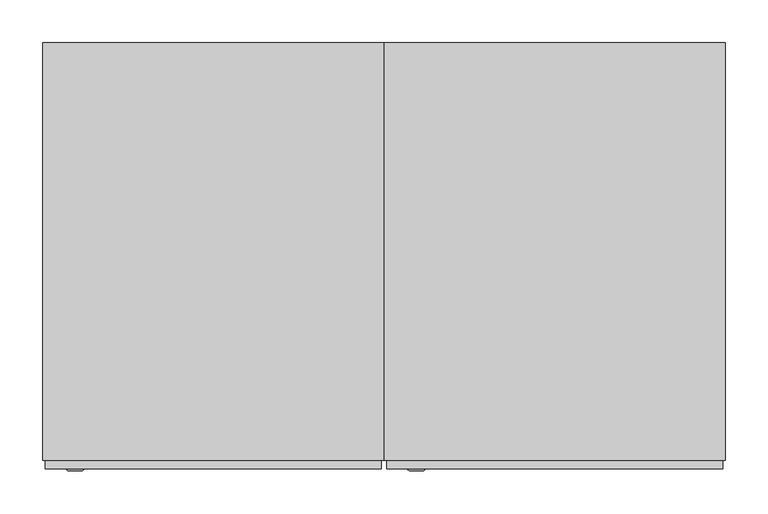
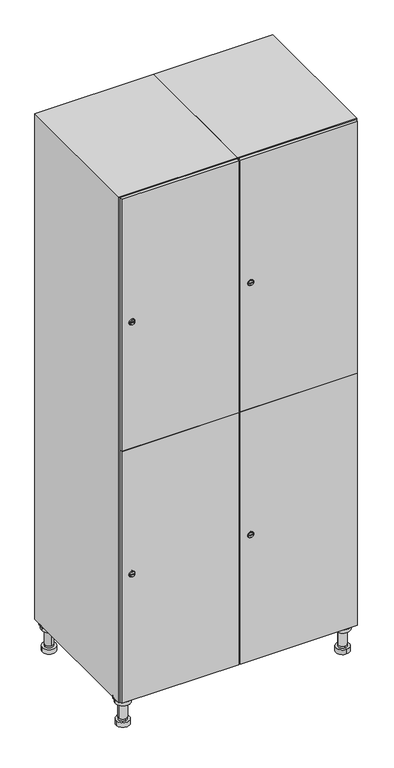
"""IFC4 building model written with IfcOpenShell, lengths in millimetres: furniture geometry."""

from ifc_helpers import new_model, si_unit, point, frame, frame_2d, origin, place, context, project, spatial, polyline, circle_curve, trimmed, segment, composite_curve, outline, extrude, faceted_brep, source, transform, mapped, element, save
from ifc_brep_helpers import plane_surface, cylinder_surface, revolved_surface, advanced_brep


def furniture_15f0998b(model_context):
    return source(origin(), model_context, "Body", "SolidModel", [
        advanced_brep(
        [(570.0, -201.0, 22.0), (570.0, -201.5, 16.0), (570.0, -228.5, 16.0), (570.0, -229.0, 22.0), (556.0, -215.0, 22.0), (584.0, -215.0, 22.0), (570.0, -192.5, 16.0), (570.0, -237.5, 16.0), (570.0, -192.5, 0.0), (570.0, -237.5, 0.0), (584.0, -215.0, 78.0), (556.0, -215.0, 78.0), (595.0, -215.0, 78.0), (545.0, -215.0, 78.0), (600.0, -215.0, 94.0), (540.0, -215.0, 94.0), (545.0, -215.0, 94.0), (595.0, -215.0, 94.0), (600.0, -215.0, 100.0), (540.0, -215.0, 100.0)],
        [
            (0, 1),
            (1, 2, circle_curve(frame((570.0, -215.0, 16.0), z_axis=(0.0, 0.0, 1.0), x_axis=(0.0, -1.0, 0.0)), 13.5)),
            (2, 3),
            (3, 4, circle_curve(frame((570.0, -215.0, 22.0), z_axis=(0.0, 0.0, -1.0), x_axis=(0.0, -1.0, 0.0)), 14.0)),
            (4, 0, circle_curve(frame((570.0, -215.0, 22.0), z_axis=(0.0, 0.0, -1.0), x_axis=(0.0, -1.0, 0.0)), 14.0)),
            (0, 5, circle_curve(frame((570.0, -215.0, 22.0), z_axis=(0.0, 0.0, -1.0), x_axis=(0.0, 1.0, 0.0)), 14.0)),
            (5, 3, circle_curve(frame((570.0, -215.0, 22.0), z_axis=(0.0, 0.0, -1.0), x_axis=(0.0, 1.0, 0.0)), 14.0)),
            (2, 1, circle_curve(frame((570.0, -215.0, 16.0), z_axis=(0.0, 0.0, 1.0), x_axis=(0.0, 1.0, 0.0)), 13.5)),
            (6, 7, circle_curve(frame((570.0, -215.0, 16.0), z_axis=(0.0, 0.0, 1.0), x_axis=(0.0, -1.0, 0.0)), 22.5)),
            (7, 6, circle_curve(frame((570.0, -215.0, 16.0), z_axis=(0.0, 0.0, 1.0), x_axis=(0.0, -1.0, 0.0)), 22.5)),
            (8, 9, circle_curve(frame((570.0, -215.0, 0.0), z_axis=(0.0, 0.0, -1.0), x_axis=(0.0, -1.0, 0.0)), 22.5)),
            (9, 8, circle_curve(frame((570.0, -215.0, 0.0), z_axis=(0.0, 0.0, -1.0), x_axis=(0.0, -1.0, 0.0)), 22.5)),
            (6, 8),
            (9, 7),
            (5, 10),
            (10, 11, circle_curve(frame((570.0, -215.0, 78.0), z_axis=(0.0, 0.0, -1.0), x_axis=(-1.0, 0.0, 0.0)), 14.0)),
            (11, 4),
            (11, 10, circle_curve(frame((570.0, -215.0, 78.0), z_axis=(0.0, 0.0, -1.0), x_axis=(-1.0, 0.0, 0.0)), 14.0)),
            (12, 13, circle_curve(frame((570.0, -215.0, 78.0), z_axis=(0.0, 0.0, -1.0), x_axis=(-1.0, 0.0, 0.0)), 25.0)),
            (13, 12, circle_curve(frame((570.0, -215.0, 78.0), z_axis=(0.0, 0.0, -1.0), x_axis=(-1.0, 0.0, 0.0)), 25.0)),
            (14, 15, circle_curve(frame((570.0, -215.0, 94.0), z_axis=(0.0, 0.0, -1.0), x_axis=(-1.0, 0.0, 0.0)), 30.0)),
            (15, 14, circle_curve(frame((570.0, -215.0, 94.0), z_axis=(0.0, 0.0, -1.0), x_axis=(-1.0, 0.0, 0.0)), 30.0)),
            (16, 17, circle_curve(frame((570.0, -215.0, 94.0), z_axis=(0.0, 0.0, 1.0), x_axis=(-1.0, 0.0, 0.0)), 25.0)),
            (17, 16, circle_curve(frame((570.0, -215.0, 94.0), z_axis=(0.0, 0.0, 1.0), x_axis=(-1.0, 0.0, 0.0)), 25.0)),
            (18, 19, circle_curve(frame((570.0, -215.0, 100.0), z_axis=(0.0, 0.0, 1.0), x_axis=(-1.0, 0.0, 0.0)), 30.0)),
            (19, 18, circle_curve(frame((570.0, -215.0, 100.0), z_axis=(0.0, 0.0, 1.0), x_axis=(-1.0, 0.0, 0.0)), 30.0)),
            (14, 18),
            (19, 15),
            (12, 17),
            (16, 13),
        ],
        [
            revolved_surface(polyline([(570.0, -201.5, 16.0), (570.0, -201.0, 22.0)]), (570.0, -215.0, -146.0), (0.0, 0.0, 1.0)),
            plane_surface(frame((570.0, 0.0, 16.0), z_axis=(0.0, 0.0, 1.0), x_axis=(0.0, -1.0, 0.0))),
            plane_surface(frame((570.0, 0.0, 0.0), z_axis=(0.0, 0.0, -1.0), x_axis=(0.0, -1.0, 0.0))),
            cylinder_surface(frame((570.0, -215.0, 16.0), z_axis=(0.0, 0.0, 1.0), x_axis=(0.0, -1.0, 0.0)), 22.5),
            cylinder_surface(frame((570.0, -215.0, 22.0), z_axis=(0.0, 0.0, -1.0), x_axis=(-1.0, 0.0, 0.0)), 14.0),
            plane_surface(frame((570.0, 0.0, 78.0), z_axis=(0.0, 0.0, -1.0), x_axis=(0.0, -1.0, 0.0))),
            plane_surface(frame((570.0, 0.0, 94.0), z_axis=(0.0, 0.0, -1.0), x_axis=(0.0, -1.0, 0.0))),
            plane_surface(frame((570.0, 0.0, 100.0), z_axis=(0.0, 0.0, 1.0), x_axis=(0.0, -1.0, 0.0))),
            cylinder_surface(frame((570.0, -215.0, 94.0), z_axis=(0.0, 0.0, -1.0), x_axis=(-1.0, 0.0, 0.0)), 30.0),
            cylinder_surface(frame((570.0, -215.0, 78.0), z_axis=(0.0, 0.0, -1.0), x_axis=(-1.0, 0.0, 0.0)), 25.0),
        ],
        [
            (0, [[1, 2, 3, 4, 5]]),
            (0, [[-1, 6, 7, -3, 8]]),
            (1, [[9, 10], [-2, -8]]),
            (2, [[11, 12]]),
            (3, [[-9, 13, -12, 14]]),
            (3, [[-10, -14, -11, -13]]),
            (4, [[15, 16, 17, -4, -7]]),
            (4, [[-15, -6, -5, -17, 18]]),
            (5, [[19, 20], [-16, -18]]),
            (6, [[21, 22], [23, 24]]),
            (7, [[25, 26]]),
            (8, [[-21, 27, -26, 28]]),
            (8, [[-22, -28, -25, -27]]),
            (9, [[-19, 29, -23, 30]]),
            (9, [[-20, -30, -24, -29]]),
        ],
    ),
        advanced_brep(
        [(-170.0, -201.0, 22.0), (-170.0, -201.5, 16.0), (-170.0, -228.5, 16.0), (-170.0, -229.0, 22.0), (-184.0, -215.0, 22.0), (-156.0, -215.0, 22.0), (-147.5, -215.0, 0.0), (-192.5, -215.0, 0.0), (-147.5, -215.0, 16.0), (-192.5, -215.0, 16.0), (-156.0, -215.0, 78.0), (-184.0, -215.0, 78.0), (-145.0, -215.0, 78.0), (-195.0, -215.0, 78.0), (-140.0, -215.0, 94.0), (-200.0, -215.0, 94.0), (-195.0, -215.0, 94.0), (-145.0, -215.0, 94.0), (-140.0, -215.0, 100.0), (-200.0, -215.0, 100.0)],
        [
            (0, 1),
            (1, 2, circle_curve(frame((-170.0, -215.0, 16.0), z_axis=(0.0, 0.0, 1.0), x_axis=(0.0, -1.0, 0.0)), 13.5)),
            (2, 3),
            (3, 4, circle_curve(frame((-170.0, -215.0, 22.0), z_axis=(0.0, 0.0, -1.0), x_axis=(0.0, -1.0, 0.0)), 14.0)),
            (4, 0, circle_curve(frame((-170.0, -215.0, 22.0), z_axis=(0.0, 0.0, -1.0), x_axis=(0.0, -1.0, 0.0)), 14.0)),
            (0, 5, circle_curve(frame((-170.0, -215.0, 22.0), z_axis=(0.0, 0.0, -1.0), x_axis=(0.0, 1.0, 0.0)), 14.0)),
            (5, 3, circle_curve(frame((-170.0, -215.0, 22.0), z_axis=(0.0, 0.0, -1.0), x_axis=(0.0, 1.0, 0.0)), 14.0)),
            (2, 1, circle_curve(frame((-170.0, -215.0, 16.0), z_axis=(0.0, 0.0, 1.0), x_axis=(0.0, 1.0, 0.0)), 13.5)),
            (6, 7, circle_curve(frame((-170.0, -215.0, 0.0), z_axis=(0.0, 0.0, -1.0), x_axis=(-1.0, 0.0, 0.0)), 22.5)),
            (7, 6, circle_curve(frame((-170.0, -215.0, 0.0), z_axis=(0.0, 0.0, -1.0), x_axis=(-1.0, 0.0, 0.0)), 22.5)),
            (8, 9, circle_curve(frame((-170.0, -215.0, 16.0), z_axis=(0.0, 0.0, 1.0), x_axis=(-1.0, 0.0, 0.0)), 22.5)),
            (9, 8, circle_curve(frame((-170.0, -215.0, 16.0), z_axis=(0.0, 0.0, 1.0), x_axis=(-1.0, 0.0, 0.0)), 22.5)),
            (6, 8),
            (9, 7),
            (5, 10),
            (10, 11, circle_curve(frame((-170.0, -215.0, 78.0), z_axis=(0.0, 0.0, -1.0), x_axis=(-1.0, 0.0, 0.0)), 14.0)),
            (11, 4),
            (11, 10, circle_curve(frame((-170.0, -215.0, 78.0), z_axis=(0.0, 0.0, -1.0), x_axis=(-1.0, 0.0, 0.0)), 14.0)),
            (12, 13, circle_curve(frame((-170.0, -215.0, 78.0), z_axis=(0.0, 0.0, -1.0), x_axis=(-1.0, 0.0, 0.0)), 25.0)),
            (13, 12, circle_curve(frame((-170.0, -215.0, 78.0), z_axis=(0.0, 0.0, -1.0), x_axis=(-1.0, 0.0, 0.0)), 25.0)),
            (14, 15, circle_curve(frame((-170.0, -215.0, 94.0), z_axis=(0.0, 0.0, -1.0), x_axis=(-1.0, 0.0, 0.0)), 30.0)),
            (15, 14, circle_curve(frame((-170.0, -215.0, 94.0), z_axis=(0.0, 0.0, -1.0), x_axis=(-1.0, 0.0, 0.0)), 30.0)),
            (16, 17, circle_curve(frame((-170.0, -215.0, 94.0), z_axis=(0.0, 0.0, 1.0), x_axis=(-1.0, 0.0, 0.0)), 25.0)),
            (17, 16, circle_curve(frame((-170.0, -215.0, 94.0), z_axis=(0.0, 0.0, 1.0), x_axis=(-1.0, 0.0, 0.0)), 25.0)),
            (18, 19, circle_curve(frame((-170.0, -215.0, 100.0), z_axis=(0.0, 0.0, 1.0), x_axis=(-1.0, 0.0, 0.0)), 30.0)),
            (19, 18, circle_curve(frame((-170.0, -215.0, 100.0), z_axis=(0.0, 0.0, 1.0), x_axis=(-1.0, 0.0, 0.0)), 30.0)),
            (14, 18),
            (19, 15),
            (12, 17),
            (16, 13),
        ],
        [
            revolved_surface(polyline([(-170.0, -201.5, 16.0), (-170.0, -201.0, 22.0)]), (-170.0, -215.0, -146.0), (0.0, 0.0, 1.0)),
            plane_surface(frame((-170.0, 0.0, 0.0), z_axis=(0.0, 0.0, -1.0), x_axis=(0.0, -1.0, 0.0))),
            plane_surface(frame((-170.0, 0.0, 16.0), z_axis=(0.0, 0.0, 1.0), x_axis=(0.0, -1.0, 0.0))),
            cylinder_surface(frame((-170.0, -215.0, 0.0), z_axis=(0.0, 0.0, -1.0), x_axis=(-1.0, 0.0, 0.0)), 22.5),
            cylinder_surface(frame((-170.0, -215.0, 22.0), z_axis=(0.0, 0.0, -1.0), x_axis=(-1.0, 0.0, 0.0)), 14.0),
            plane_surface(frame((-170.0, 0.0, 78.0), z_axis=(0.0, 0.0, -1.0), x_axis=(0.0, -1.0, 0.0))),
            plane_surface(frame((-170.0, 0.0, 94.0), z_axis=(0.0, 0.0, -1.0), x_axis=(0.0, -1.0, 0.0))),
            plane_surface(frame((-170.0, 0.0, 100.0), z_axis=(0.0, 0.0, 1.0), x_axis=(0.0, -1.0, 0.0))),
            cylinder_surface(frame((-170.0, -215.0, 94.0), z_axis=(0.0, 0.0, -1.0), x_axis=(-1.0, 0.0, 0.0)), 30.0),
            cylinder_surface(frame((-170.0, -215.0, 78.0), z_axis=(0.0, 0.0, -1.0), x_axis=(-1.0, 0.0, 0.0)), 25.0),
        ],
        [
            (0, [[1, 2, 3, 4, 5]]),
            (0, [[-1, 6, 7, -3, 8]]),
            (1, [[9, 10]]),
            (2, [[11, 12], [-2, -8]]),
            (3, [[-9, 13, -12, 14]]),
            (3, [[-10, -14, -11, -13]]),
            (4, [[15, 16, 17, -4, -7]]),
            (4, [[-15, -6, -5, -17, 18]]),
            (5, [[19, 20], [-16, -18]]),
            (6, [[21, 22], [23, 24]]),
            (7, [[25, 26]]),
            (8, [[-21, 27, -26, 28]]),
            (8, [[-22, -28, -25, -27]]),
            (9, [[-19, 29, -23, 30]]),
            (9, [[-20, -30, -24, -29]]),
        ],
    ),
        advanced_brep(
        [(583.5, 215.0, 16.0), (584.0, 215.0, 22.0), (556.0, 215.0, 22.0), (556.5, 215.0, 16.0), (592.5, 215.0, 0.0), (547.5, 215.0, 0.0), (592.5, 215.0, 16.0), (547.5, 215.0, 16.0), (584.0, 215.0, 78.0), (556.0, 215.0, 78.0), (595.0, 215.0, 78.0), (545.0, 215.0, 78.0), (600.0, 215.0, 94.0), (540.0, 215.0, 94.0), (545.0, 215.0, 94.0), (595.0, 215.0, 94.0), (600.0, 215.0, 100.0), (540.0, 215.0, 100.0)],
        [
            (0, 1),
            (1, 2, circle_curve(frame((570.0, 215.0, 22.0), z_axis=(0.0, 0.0, -1.0), x_axis=(-1.0, 0.0, 0.0)), 14.0)),
            (2, 3),
            (3, 0, circle_curve(frame((570.0, 215.0, 16.0), z_axis=(0.0, 0.0, 1.0), x_axis=(-1.0, 0.0, 0.0)), 13.5)),
            (0, 3, circle_curve(frame((570.0, 215.0, 16.0), z_axis=(0.0, 0.0, 1.0), x_axis=(1.0, 0.0, 0.0)), 13.5)),
            (2, 1, circle_curve(frame((570.0, 215.0, 22.0), z_axis=(0.0, 0.0, -1.0), x_axis=(1.0, 0.0, 0.0)), 14.0)),
            (4, 5, circle_curve(frame((570.0, 215.0, 0.0), z_axis=(0.0, 0.0, -1.0), x_axis=(-1.0, 0.0, 0.0)), 22.5)),
            (5, 4, circle_curve(frame((570.0, 215.0, 0.0), z_axis=(0.0, 0.0, -1.0), x_axis=(-1.0, 0.0, 0.0)), 22.5)),
            (6, 7, circle_curve(frame((570.0, 215.0, 16.0), z_axis=(0.0, 0.0, 1.0), x_axis=(-1.0, 0.0, 0.0)), 22.5)),
            (7, 6, circle_curve(frame((570.0, 215.0, 16.0), z_axis=(0.0, 0.0, 1.0), x_axis=(-1.0, 0.0, 0.0)), 22.5)),
            (4, 6),
            (7, 5),
            (1, 8),
            (8, 9, circle_curve(frame((570.0, 215.0, 78.0), z_axis=(0.0, 0.0, -1.0), x_axis=(-1.0, 0.0, 0.0)), 14.0)),
            (9, 2),
            (9, 8, circle_curve(frame((570.0, 215.0, 78.0), z_axis=(0.0, 0.0, -1.0), x_axis=(-1.0, 0.0, 0.0)), 14.0)),
            (10, 11, circle_curve(frame((570.0, 215.0, 78.0), z_axis=(0.0, 0.0, -1.0), x_axis=(-1.0, 0.0, 0.0)), 25.0)),
            (11, 10, circle_curve(frame((570.0, 215.0, 78.0), z_axis=(0.0, 0.0, -1.0), x_axis=(-1.0, 0.0, 0.0)), 25.0)),
            (12, 13, circle_curve(frame((570.0, 215.0, 94.0), z_axis=(0.0, 0.0, -1.0), x_axis=(-1.0, 0.0, 0.0)), 30.0)),
            (13, 12, circle_curve(frame((570.0, 215.0, 94.0), z_axis=(0.0, 0.0, -1.0), x_axis=(-1.0, 0.0, 0.0)), 30.0)),
            (14, 15, circle_curve(frame((570.0, 215.0, 94.0), z_axis=(0.0, 0.0, 1.0), x_axis=(-1.0, 0.0, 0.0)), 25.0)),
            (15, 14, circle_curve(frame((570.0, 215.0, 94.0), z_axis=(0.0, 0.0, 1.0), x_axis=(-1.0, 0.0, 0.0)), 25.0)),
            (16, 17, circle_curve(frame((570.0, 215.0, 100.0), z_axis=(0.0, 0.0, 1.0), x_axis=(-1.0, 0.0, 0.0)), 30.0)),
            (17, 16, circle_curve(frame((570.0, 215.0, 100.0), z_axis=(0.0, 0.0, 1.0), x_axis=(-1.0, 0.0, 0.0)), 30.0)),
            (12, 16),
            (17, 13),
            (10, 15),
            (14, 11),
        ],
        [
            revolved_surface(polyline([(583.5, 215.0, 16.0), (584.0, 215.0, 22.0)]), (570.0, 215.0, -146.0), (0.0, 0.0, 1.0)),
            plane_surface(frame((570.0, 0.0, 0.0), z_axis=(0.0, 0.0, -1.0), x_axis=(0.0, -1.0, 0.0))),
            plane_surface(frame((570.0, 0.0, 16.0), z_axis=(0.0, 0.0, 1.0), x_axis=(0.0, -1.0, 0.0))),
            cylinder_surface(frame((570.0, 215.0, 0.0), z_axis=(0.0, 0.0, -1.0), x_axis=(-1.0, 0.0, 0.0)), 22.5),
            cylinder_surface(frame((570.0, 215.0, 22.0), z_axis=(0.0, 0.0, -1.0), x_axis=(-1.0, 0.0, 0.0)), 14.0),
            plane_surface(frame((570.0, 0.0, 78.0), z_axis=(0.0, 0.0, -1.0), x_axis=(0.0, -1.0, 0.0))),
            plane_surface(frame((570.0, 0.0, 94.0), z_axis=(0.0, 0.0, -1.0), x_axis=(0.0, -1.0, 0.0))),
            plane_surface(frame((570.0, 0.0, 100.0), z_axis=(0.0, 0.0, 1.0), x_axis=(0.0, -1.0, 0.0))),
            cylinder_surface(frame((570.0, 215.0, 94.0), z_axis=(0.0, 0.0, -1.0), x_axis=(-1.0, 0.0, 0.0)), 30.0),
            cylinder_surface(frame((570.0, 215.0, 78.0), z_axis=(0.0, 0.0, -1.0), x_axis=(-1.0, 0.0, 0.0)), 25.0),
        ],
        [
            (0, [[1, 2, 3, 4]]),
            (0, [[-1, 5, -3, 6]]),
            (1, [[7, 8]]),
            (2, [[9, 10], [-4, -5]]),
            (3, [[-7, 11, -10, 12]]),
            (3, [[-8, -12, -9, -11]]),
            (4, [[13, 14, 15, -2]]),
            (4, [[-13, -6, -15, 16]]),
            (5, [[17, 18], [-14, -16]]),
            (6, [[19, 20], [21, 22]]),
            (7, [[23, 24]]),
            (8, [[-19, 25, -24, 26]]),
            (8, [[-20, -26, -23, -25]]),
            (9, [[-17, 27, -21, 28]]),
            (9, [[-18, -28, -22, -27]]),
        ],
    ),
        advanced_brep(
        [(-156.5, 215.0, 16.0), (-156.0, 215.0, 22.0), (-170.0, 201.0, 22.0), (-184.0, 215.0, 22.0), (-183.5, 215.0, 16.0), (-170.0, 229.0, 22.0), (-147.5, 215.0, 0.0), (-192.5, 215.0, 0.0), (-147.5, 215.0, 16.0), (-192.5, 215.0, 16.0), (-170.0, 229.0, 78.0), (-170.0, 201.0, 78.0), (-145.0, 215.0, 78.0), (-195.0, 215.0, 78.0), (-140.0, 215.0, 94.0), (-200.0, 215.0, 94.0), (-195.0, 215.0, 94.0), (-145.0, 215.0, 94.0), (-140.0, 215.0, 100.0), (-200.0, 215.0, 100.0)],
        [
            (0, 1),
            (1, 2, circle_curve(frame((-170.0, 215.0, 22.0), z_axis=(0.0, 0.0, -1.0), x_axis=(-1.0, 0.0, 0.0)), 14.0)),
            (2, 3, circle_curve(frame((-170.0, 215.0, 22.0), z_axis=(0.0, 0.0, -1.0), x_axis=(-1.0, 0.0, 0.0)), 14.0)),
            (3, 4),
            (4, 0, circle_curve(frame((-170.0, 215.0, 16.0), z_axis=(0.0, 0.0, 1.0), x_axis=(-1.0, 0.0, 0.0)), 13.5)),
            (0, 4, circle_curve(frame((-170.0, 215.0, 16.0), z_axis=(0.0, 0.0, 1.0), x_axis=(1.0, 0.0, 0.0)), 13.5)),
            (3, 5, circle_curve(frame((-170.0, 215.0, 22.0), z_axis=(0.0, 0.0, -1.0), x_axis=(1.0, 0.0, 0.0)), 14.0)),
            (5, 1, circle_curve(frame((-170.0, 215.0, 22.0), z_axis=(0.0, 0.0, -1.0), x_axis=(1.0, 0.0, 0.0)), 14.0)),
            (6, 7, circle_curve(frame((-170.0, 215.0, 0.0), z_axis=(0.0, 0.0, -1.0), x_axis=(-1.0, 0.0, 0.0)), 22.5)),
            (7, 6, circle_curve(frame((-170.0, 215.0, 0.0), z_axis=(0.0, 0.0, -1.0), x_axis=(-1.0, 0.0, 0.0)), 22.5)),
            (8, 9, circle_curve(frame((-170.0, 215.0, 16.0), z_axis=(0.0, 0.0, 1.0), x_axis=(-1.0, 0.0, 0.0)), 22.5)),
            (9, 8, circle_curve(frame((-170.0, 215.0, 16.0), z_axis=(0.0, 0.0, 1.0), x_axis=(-1.0, 0.0, 0.0)), 22.5)),
            (6, 8),
            (9, 7),
            (10, 5),
            (2, 11),
            (11, 10, circle_curve(frame((-170.0, 215.0, 78.0), z_axis=(0.0, 0.0, -1.0), x_axis=(0.0, -1.0, 0.0)), 14.0)),
            (10, 11, circle_curve(frame((-170.0, 215.0, 78.0), z_axis=(0.0, 0.0, -1.0), x_axis=(0.0, -1.0, 0.0)), 14.0)),
            (12, 13, circle_curve(frame((-170.0, 215.0, 78.0), z_axis=(0.0, 0.0, -1.0), x_axis=(-1.0, 0.0, 0.0)), 25.0)),
            (13, 12, circle_curve(frame((-170.0, 215.0, 78.0), z_axis=(0.0, 0.0, -1.0), x_axis=(-1.0, 0.0, 0.0)), 25.0)),
            (14, 15, circle_curve(frame((-170.0, 215.0, 94.0), z_axis=(0.0, 0.0, -1.0), x_axis=(-1.0, 0.0, 0.0)), 30.0)),
            (15, 14, circle_curve(frame((-170.0, 215.0, 94.0), z_axis=(0.0, 0.0, -1.0), x_axis=(-1.0, 0.0, 0.0)), 30.0)),
            (16, 17, circle_curve(frame((-170.0, 215.0, 94.0), z_axis=(0.0, 0.0, 1.0), x_axis=(-1.0, 0.0, 0.0)), 25.0)),
            (17, 16, circle_curve(frame((-170.0, 215.0, 94.0), z_axis=(0.0, 0.0, 1.0), x_axis=(-1.0, 0.0, 0.0)), 25.0)),
            (18, 19, circle_curve(frame((-170.0, 215.0, 100.0), z_axis=(0.0, 0.0, 1.0), x_axis=(-1.0, 0.0, 0.0)), 30.0)),
            (19, 18, circle_curve(frame((-170.0, 215.0, 100.0), z_axis=(0.0, 0.0, 1.0), x_axis=(-1.0, 0.0, 0.0)), 30.0)),
            (14, 18),
            (19, 15),
            (12, 17),
            (16, 13),
        ],
        [
            revolved_surface(polyline([(-156.5, 215.0, 16.0), (-156.0, 215.0, 22.0)]), (-170.0, 215.0, -146.0), (0.0, 0.0, 1.0)),
            plane_surface(frame((-170.0, 0.0, 0.0), z_axis=(0.0, 0.0, -1.0), x_axis=(0.0, -1.0, 0.0))),
            plane_surface(frame((-170.0, 0.0, 16.0), z_axis=(0.0, 0.0, 1.0), x_axis=(0.0, -1.0, 0.0))),
            cylinder_surface(frame((-170.0, 215.0, 0.0), z_axis=(0.0, 0.0, -1.0), x_axis=(-1.0, 0.0, 0.0)), 22.5),
            cylinder_surface(frame((-170.0, 215.0, 78.0), z_axis=(0.0, 0.0, 1.0), x_axis=(0.0, -1.0, 0.0)), 14.0),
            plane_surface(frame((-170.0, 0.0, 78.0), z_axis=(0.0, 0.0, -1.0), x_axis=(0.0, -1.0, 0.0))),
            plane_surface(frame((-170.0, 0.0, 94.0), z_axis=(0.0, 0.0, -1.0), x_axis=(0.0, -1.0, 0.0))),
            plane_surface(frame((-170.0, 0.0, 100.0), z_axis=(0.0, 0.0, 1.0), x_axis=(0.0, -1.0, 0.0))),
            cylinder_surface(frame((-170.0, 215.0, 94.0), z_axis=(0.0, 0.0, -1.0), x_axis=(-1.0, 0.0, 0.0)), 30.0),
            cylinder_surface(frame((-170.0, 215.0, 78.0), z_axis=(0.0, 0.0, -1.0), x_axis=(-1.0, 0.0, 0.0)), 25.0),
        ],
        [
            (0, [[1, 2, 3, 4, 5]]),
            (0, [[-1, 6, -4, 7, 8]]),
            (1, [[9, 10]]),
            (2, [[11, 12], [-5, -6]]),
            (3, [[-9, 13, -12, 14]]),
            (3, [[-10, -14, -11, -13]]),
            (4, [[15, -7, -3, 16, 17]]),
            (4, [[-15, 18, -16, -2, -8]]),
            (5, [[19, 20], [-17, -18]]),
            (6, [[21, 22], [23, 24]]),
            (7, [[25, 26]]),
            (8, [[-21, 27, -26, 28]]),
            (8, [[-22, -28, -25, -27]]),
            (9, [[-19, 29, -23, 30]]),
            (9, [[-20, -30, -24, -29]]),
        ],
    ),
        extrude(outline(composite_curve([segment(trimmed(circle_curve(frame_2d((551.5, 211.2010534)), 7.0), [point((558.5, 211.2010534))], [point((544.5, 211.2010534))], False, "CARTESIAN"), True, "CONTINUOUS"), segment(polyline([(544.5, 211.2010534), (544.5, 239.2010534)]), True, "CONTINUOUS"), segment(trimmed(circle_curve(frame_2d((551.5, 239.2010534)), 7.0), [point((544.5, 239.2010534))], [point((558.5, 239.2010534))], False, "CARTESIAN"), True, "CONTINUOUS"), segment(polyline([(558.5, 239.2010534), (558.5, 211.2010534)]), True, "CONTINUOUS")], self_intersect=False)), frame((0.0, -245.0, 0.0), z_axis=(0.0, 1.0, 0.0), x_axis=(0.0, 0.0, 1.0)), (0.0, 0.0, 1.0), 2.0),
        advanced_brep(
        [(246.5, -257.2, 551.5), (229.5, -257.2, 551.5), (233.0, -257.2, 550.25), (233.0, -257.2, 552.75), (243.0, -257.2, 552.75), (243.0, -257.2, 550.25), (248.5, -255.0, 551.5), (227.5, -255.0, 551.5), (233.0, -255.0, 552.75), (233.0, -255.0, 550.25), (243.0, -255.0, 550.25), (243.0, -255.0, 552.75)],
        [
            (0, 1, circle_curve(frame((238.0, -257.2, 551.5), z_axis=(0.0, -1.0, 0.0), x_axis=(1.0, 0.0, 0.0)), 8.5)),
            (1, 0, circle_curve(frame((238.0, -257.2, 551.5), z_axis=(0.0, -1.0, 0.0), x_axis=(-1.0, 0.0, 0.0)), 8.5)),
            (2, 3),
            (3, 4),
            (4, 5),
            (5, 2),
            (6, 7, circle_curve(frame((238.0, -255.0, 551.5), z_axis=(0.0, 1.0, 0.0), x_axis=(-1.0, 0.0, 0.0)), 10.5)),
            (7, 6, circle_curve(frame((238.0, -255.0, 551.5), z_axis=(0.0, 1.0, 0.0), x_axis=(1.0, 0.0, 0.0)), 10.5)),
            (8, 9),
            (9, 10),
            (10, 11),
            (11, 8),
            (0, 6),
            (7, 1),
            (8, 3),
            (2, 9),
            (11, 4),
            (10, 5),
        ],
        [
            plane_surface(frame((238.0, -257.2, 551.5), z_axis=(0.0, -1.0, 0.0), x_axis=(0.0, 0.0, 1.0))),
            plane_surface(frame((238.0, -255.0, 551.5), z_axis=(0.0, 1.0, 0.0), x_axis=(0.0, 0.0, 1.0))),
            revolved_surface(polyline([(246.5, -257.2, 551.5), (248.5, -255.0, 551.5)]), (238.0, -266.55, 551.5), (0.0, 1.0, 0.0)),
            revolved_surface(polyline([(229.5, -257.2, 551.5), (227.5, -255.0, 551.5)]), (238.0, -266.55, 551.5), (0.0, 1.0, 0.0)),
            plane_surface(frame((233.0, -255.0, 550.25), z_axis=(1.0, 0.0, 0.0), x_axis=(0.0, -1.0, 0.0))),
            plane_surface(frame((233.0, -255.0, 552.75), z_axis=(0.0, 0.0, -1.0), x_axis=(0.0, -1.0, 0.0))),
            plane_surface(frame((243.0, -255.0, 552.75), z_axis=(-1.0, 0.0, 0.0), x_axis=(0.0, -1.0, 0.0))),
            plane_surface(frame((243.0, -255.0, 550.25), z_axis=(0.0, 0.0, 1.0), x_axis=(0.0, -1.0, 0.0))),
        ],
        [
            (0, [[1, 2], [3, 4, 5, 6]]),
            (1, [[7, 8], [9, 10, 11, 12]]),
            (2, [[-1, 13, -8, 14]]),
            (3, [[-2, -14, -7, -13]]),
            (4, [[15, -3, 16, -9]]),
            (5, [[-15, -12, 17, -4]]),
            (6, [[-17, -11, 18, -5]]),
            (7, [[-16, -6, -18, -10]]),
        ],
    ),
        extrude(outline(composite_curve([segment(trimmed(circle_curve(frame_2d((1448.5, 211.2010534)), 7.0), [point((1455.5, 211.2010534))], [point((1441.5, 211.2010534))], False, "CARTESIAN"), True, "CONTINUOUS"), segment(polyline([(1441.5, 211.2010534), (1441.5, 239.2010534)]), True, "CONTINUOUS"), segment(trimmed(circle_curve(frame_2d((1448.5, 239.2010534)), 7.0), [point((1441.5, 239.2010534))], [point((1455.5, 239.2010534))], False, "CARTESIAN"), True, "CONTINUOUS"), segment(polyline([(1455.5, 239.2010534), (1455.5, 211.2010534)]), True, "CONTINUOUS")], self_intersect=False)), frame((0.0, -245.0, 0.0), z_axis=(0.0, 1.0, 0.0), x_axis=(0.0, 0.0, 1.0)), (0.0, 0.0, 1.0), 2.0),
        advanced_brep(
        [(246.5, -257.2, 1448.5), (229.5, -257.2, 1448.5), (233.0, -257.2, 1447.25), (233.0, -257.2, 1449.75), (243.0, -257.2, 1449.75), (243.0, -257.2, 1447.25), (248.5, -255.0, 1448.5), (227.5, -255.0, 1448.5), (233.0, -255.0, 1449.75), (233.0, -255.0, 1447.25), (243.0, -255.0, 1447.25), (243.0, -255.0, 1449.75)],
        [
            (0, 1, circle_curve(frame((238.0, -257.2, 1448.5), z_axis=(0.0, -1.0, 0.0), x_axis=(1.0, 0.0, 0.0)), 8.5)),
            (1, 0, circle_curve(frame((238.0, -257.2, 1448.5), z_axis=(0.0, -1.0, 0.0), x_axis=(-1.0, 0.0, 0.0)), 8.5)),
            (2, 3),
            (3, 4),
            (4, 5),
            (5, 2),
            (6, 7, circle_curve(frame((238.0, -255.0, 1448.5), z_axis=(0.0, 1.0, 0.0), x_axis=(-1.0, 0.0, 0.0)), 10.5)),
            (7, 6, circle_curve(frame((238.0, -255.0, 1448.5), z_axis=(0.0, 1.0, 0.0), x_axis=(1.0, 0.0, 0.0)), 10.5)),
            (8, 9),
            (9, 10),
            (10, 11),
            (11, 8),
            (0, 6),
            (7, 1),
            (8, 3),
            (2, 9),
            (11, 4),
            (10, 5),
        ],
        [
            plane_surface(frame((238.0, -257.2, 1448.5), z_axis=(0.0, -1.0, 0.0), x_axis=(0.0, 0.0, 1.0))),
            plane_surface(frame((238.0, -255.0, 1448.5), z_axis=(0.0, 1.0, 0.0), x_axis=(0.0, 0.0, 1.0))),
            revolved_surface(polyline([(246.5, -257.2, 1448.5), (248.5, -255.0, 1448.5)]), (238.0, -266.55, 1448.5), (0.0, 1.0, 0.0)),
            revolved_surface(polyline([(229.5, -257.2, 1448.5), (227.5, -255.0, 1448.5)]), (238.0, -266.55, 1448.5), (0.0, 1.0, 0.0)),
            plane_surface(frame((233.0, -255.0, 1447.25), z_axis=(1.0, 0.0, 0.0), x_axis=(0.0, -1.0, 0.0))),
            plane_surface(frame((233.0, -255.0, 1449.75), z_axis=(0.0, 0.0, -1.0), x_axis=(0.0, -1.0, 0.0))),
            plane_surface(frame((243.0, -255.0, 1449.75), z_axis=(-1.0, 0.0, 0.0), x_axis=(0.0, -1.0, 0.0))),
            plane_surface(frame((243.0, -255.0, 1447.25), z_axis=(0.0, 0.0, 1.0), x_axis=(0.0, -1.0, 0.0))),
        ],
        [
            (0, [[1, 2], [3, 4, 5, 6]]),
            (1, [[7, 8], [9, 10, 11, 12]]),
            (2, [[-1, 13, -8, 14]]),
            (3, [[-2, -14, -7, -13]]),
            (4, [[15, -3, 16, -9]]),
            (5, [[-15, -12, 17, -4]]),
            (6, [[-17, -11, 18, -5]]),
            (7, [[-16, -6, -18, -10]]),
        ],
    ),
        extrude(outline(polyline([(203.0, -255.0), (203.0, -245.0), (597.0, -245.0), (597.0, -255.0), (203.0, -255.0)])), frame((0.0, 0.0, 103.0), z_axis=(0.0, 0.0, 1.0), x_axis=(1.0, 0.0, 0.0)), (0.0, 0.0, 1.0), 896.5),
        extrude(outline(polyline([(597.0, -245.0), (597.0, -255.0), (203.0, -255.0), (203.0, -245.0), (597.0, -245.0)])), frame((0.0, 0.0, 1000.5), z_axis=(0.0, 0.0, 1.0), x_axis=(1.0, 0.0, 0.0)), (0.0, 0.0, 1.0), 896.5),
        extrude(outline(polyline([(590.0, 241.0), (590.0, -235.0), (210.0, -235.0), (210.0, 241.0), (590.0, 241.0)])), frame((0.0, 0.0, 995.0), z_axis=(0.0, 0.0, 1.0), x_axis=(1.0, 0.0, 0.0)), (0.0, 0.0, 1.0), 10.0),
        faceted_brep([(600.0, -245.0, 100.0), (600.0, -245.0, 1900.0), (200.0, -245.0, 1900.0), (200.0, -245.0, 100.0), (590.0, -245.0, 1890.0), (590.0, -245.0, 110.0), (210.0, -245.0, 110.0), (210.0, -245.0, 1890.0), (600.0, 245.0, 100.0), (200.0, 245.0, 100.0), (600.0, 245.0, 1900.0), (200.0, 245.0, 1900.0), (590.0, 241.0, 1890.0), (590.0, 241.0, 110.0), (200.0, 245.0, 1890.0), (210.0, 241.0, 1890.0), (210.0, 241.0, 110.0)], [[[0, 1, 2, 3], [4, 5, 6, 7]], [[8, 0, 3, 9]], [[1, 0, 8, 10]], [[1, 10, 11, 2]], [[4, 12, 13, 5]], [[9, 3, 2, 11, 14]], [[10, 8, 9, 14, 11]], [[12, 15, 16, 13]], [[15, 7, 6, 16]], [[4, 7, 15, 12]], [[6, 5, 13, 16]]]),
        extrude(outline(composite_curve([segment(trimmed(circle_curve(frame_2d((551.5, -188.7989466)), 7.0), [point((558.5, -188.7989466))], [point((544.5, -188.7989466))], False, "CARTESIAN"), True, "CONTINUOUS"), segment(polyline([(544.5, -188.7989466), (544.5, -160.7989466)]), True, "CONTINUOUS"), segment(trimmed(circle_curve(frame_2d((551.5, -160.7989466)), 7.0), [point((544.5, -160.7989466))], [point((558.5, -160.7989466))], False, "CARTESIAN"), True, "CONTINUOUS"), segment(polyline([(558.5, -160.7989466), (558.5, -188.7989466)]), True, "CONTINUOUS")], self_intersect=False)), frame((0.0, -245.0, 0.0), z_axis=(0.0, 1.0, 0.0), x_axis=(0.0, 0.0, 1.0)), (0.0, 0.0, 1.0), 2.0),
        advanced_brep(
        [(-153.5, -257.2, 551.5), (-170.5, -257.2, 551.5), (-167.0, -257.2, 550.25), (-167.0, -257.2, 552.75), (-157.0, -257.2, 552.75), (-157.0, -257.2, 550.25), (-151.5, -255.0, 551.5), (-172.5, -255.0, 551.5), (-167.0, -255.0, 552.75), (-167.0, -255.0, 550.25), (-157.0, -255.0, 550.25), (-157.0, -255.0, 552.75)],
        [
            (0, 1, circle_curve(frame((-162.0, -257.2, 551.5), z_axis=(0.0, -1.0, 0.0), x_axis=(1.0, 0.0, 0.0)), 8.5)),
            (1, 0, circle_curve(frame((-162.0, -257.2, 551.5), z_axis=(0.0, -1.0, 0.0), x_axis=(-1.0, 0.0, 0.0)), 8.5)),
            (2, 3),
            (3, 4),
            (4, 5),
            (5, 2),
            (6, 7, circle_curve(frame((-162.0, -255.0, 551.5), z_axis=(0.0, 1.0, 0.0), x_axis=(-1.0, 0.0, 0.0)), 10.5)),
            (7, 6, circle_curve(frame((-162.0, -255.0, 551.5), z_axis=(0.0, 1.0, 0.0), x_axis=(1.0, 0.0, 0.0)), 10.5)),
            (8, 9),
            (9, 10),
            (10, 11),
            (11, 8),
            (0, 6),
            (7, 1),
            (8, 3),
            (2, 9),
            (11, 4),
            (10, 5),
        ],
        [
            plane_surface(frame((-162.0, -257.2, 551.5), z_axis=(0.0, -1.0, 0.0), x_axis=(0.0, 0.0, 1.0))),
            plane_surface(frame((-162.0, -255.0, 551.5), z_axis=(0.0, 1.0, 0.0), x_axis=(0.0, 0.0, 1.0))),
            revolved_surface(polyline([(-153.5, -257.2, 551.5), (-151.5, -255.0, 551.5)]), (-162.0, -266.55, 551.5), (0.0, 1.0, 0.0)),
            revolved_surface(polyline([(-170.5, -257.2, 551.5), (-172.5, -255.0, 551.5)]), (-162.0, -266.55, 551.5), (0.0, 1.0, 0.0)),
            plane_surface(frame((-167.0, -255.0, 550.25), z_axis=(1.0, 0.0, 0.0), x_axis=(0.0, -1.0, 0.0))),
            plane_surface(frame((-167.0, -255.0, 552.75), z_axis=(0.0, 0.0, -1.0), x_axis=(0.0, -1.0, 0.0))),
            plane_surface(frame((-157.0, -255.0, 552.75), z_axis=(-1.0, 0.0, 0.0), x_axis=(0.0, -1.0, 0.0))),
            plane_surface(frame((-157.0, -255.0, 550.25), z_axis=(0.0, 0.0, 1.0), x_axis=(0.0, -1.0, 0.0))),
        ],
        [
            (0, [[1, 2], [3, 4, 5, 6]]),
            (1, [[7, 8], [9, 10, 11, 12]]),
            (2, [[-1, 13, -8, 14]]),
            (3, [[-2, -14, -7, -13]]),
            (4, [[15, -3, 16, -9]]),
            (5, [[-15, -12, 17, -4]]),
            (6, [[-17, -11, 18, -5]]),
            (7, [[-16, -6, -18, -10]]),
        ],
    ),
        extrude(outline(composite_curve([segment(trimmed(circle_curve(frame_2d((1448.5, -188.7989466)), 7.0), [point((1455.5, -188.7989466))], [point((1441.5, -188.7989466))], False, "CARTESIAN"), True, "CONTINUOUS"), segment(polyline([(1441.5, -188.7989466), (1441.5, -160.7989466)]), True, "CONTINUOUS"), segment(trimmed(circle_curve(frame_2d((1448.5, -160.7989466)), 7.0), [point((1441.5, -160.7989466))], [point((1455.5, -160.7989466))], False, "CARTESIAN"), True, "CONTINUOUS"), segment(polyline([(1455.5, -160.7989466), (1455.5, -188.7989466)]), True, "CONTINUOUS")], self_intersect=False)), frame((0.0, -245.0, 0.0), z_axis=(0.0, 1.0, 0.0), x_axis=(0.0, 0.0, 1.0)), (0.0, 0.0, 1.0), 2.0),
        advanced_brep(
        [(-153.5, -257.2, 1448.5), (-170.5, -257.2, 1448.5), (-167.0, -257.2, 1447.25), (-167.0, -257.2, 1449.75), (-157.0, -257.2, 1449.75), (-157.0, -257.2, 1447.25), (-151.5, -255.0, 1448.5), (-172.5, -255.0, 1448.5), (-167.0, -255.0, 1449.75), (-167.0, -255.0, 1447.25), (-157.0, -255.0, 1447.25), (-157.0, -255.0, 1449.75)],
        [
            (0, 1, circle_curve(frame((-162.0, -257.2, 1448.5), z_axis=(0.0, -1.0, 0.0), x_axis=(1.0, 0.0, 0.0)), 8.5)),
            (1, 0, circle_curve(frame((-162.0, -257.2, 1448.5), z_axis=(0.0, -1.0, 0.0), x_axis=(-1.0, 0.0, 0.0)), 8.5)),
            (2, 3),
            (3, 4),
            (4, 5),
            (5, 2),
            (6, 7, circle_curve(frame((-162.0, -255.0, 1448.5), z_axis=(0.0, 1.0, 0.0), x_axis=(-1.0, 0.0, 0.0)), 10.5)),
            (7, 6, circle_curve(frame((-162.0, -255.0, 1448.5), z_axis=(0.0, 1.0, 0.0), x_axis=(1.0, 0.0, 0.0)), 10.5)),
            (8, 9),
            (9, 10),
            (10, 11),
            (11, 8),
            (0, 6),
            (7, 1),
            (8, 3),
            (2, 9),
            (11, 4),
            (10, 5),
        ],
        [
            plane_surface(frame((-162.0, -257.2, 1448.5), z_axis=(0.0, -1.0, 0.0), x_axis=(0.0, 0.0, 1.0))),
            plane_surface(frame((-162.0, -255.0, 1448.5), z_axis=(0.0, 1.0, 0.0), x_axis=(0.0, 0.0, 1.0))),
            revolved_surface(polyline([(-153.5, -257.2, 1448.5), (-151.5, -255.0, 1448.5)]), (-162.0, -266.55, 1448.5), (0.0, 1.0, 0.0)),
            revolved_surface(polyline([(-170.5, -257.2, 1448.5), (-172.5, -255.0, 1448.5)]), (-162.0, -266.55, 1448.5), (0.0, 1.0, 0.0)),
            plane_surface(frame((-167.0, -255.0, 1447.25), z_axis=(1.0, 0.0, 0.0), x_axis=(0.0, -1.0, 0.0))),
            plane_surface(frame((-167.0, -255.0, 1449.75), z_axis=(0.0, 0.0, -1.0), x_axis=(0.0, -1.0, 0.0))),
            plane_surface(frame((-157.0, -255.0, 1449.75), z_axis=(-1.0, 0.0, 0.0), x_axis=(0.0, -1.0, 0.0))),
            plane_surface(frame((-157.0, -255.0, 1447.25), z_axis=(0.0, 0.0, 1.0), x_axis=(0.0, -1.0, 0.0))),
        ],
        [
            (0, [[1, 2], [3, 4, 5, 6]]),
            (1, [[7, 8], [9, 10, 11, 12]]),
            (2, [[-1, 13, -8, 14]]),
            (3, [[-2, -14, -7, -13]]),
            (4, [[15, -3, 16, -9]]),
            (5, [[-15, -12, 17, -4]]),
            (6, [[-17, -11, 18, -5]]),
            (7, [[-16, -6, -18, -10]]),
        ],
    ),
        extrude(outline(polyline([(-197.0, -255.0), (-197.0, -245.0), (197.0, -245.0), (197.0, -255.0), (-197.0, -255.0)])), frame((0.0, 0.0, 103.0), z_axis=(0.0, 0.0, 1.0), x_axis=(1.0, 0.0, 0.0)), (0.0, 0.0, 1.0), 896.5),
        extrude(outline(polyline([(197.0, -245.0), (197.0, -255.0), (-197.0, -255.0), (-197.0, -245.0), (197.0, -245.0)])), frame((0.0, 0.0, 1000.5), z_axis=(0.0, 0.0, 1.0), x_axis=(1.0, 0.0, 0.0)), (0.0, 0.0, 1.0), 896.5),
        extrude(outline(polyline([(190.0, 241.0), (190.0, -235.0), (-190.0, -235.0), (-190.0, 241.0), (190.0, 241.0)])), frame((0.0, 0.0, 995.0), z_axis=(0.0, 0.0, 1.0), x_axis=(1.0, 0.0, 0.0)), (0.0, 0.0, 1.0), 10.0),
        faceted_brep([(200.0, -245.0, 100.0), (200.0, -245.0, 1900.0), (-200.0, -245.0, 1900.0), (-200.0, -245.0, 100.0), (190.0, -245.0, 1890.0), (190.0, -245.0, 110.0), (-190.0, -245.0, 110.0), (-190.0, -245.0, 1890.0), (200.0, 245.0, 100.0), (-200.0, 245.0, 100.0), (200.0, 245.0, 1900.0), (-200.0, 245.0, 1900.0), (190.0, 241.0, 1890.0), (190.0, 241.0, 110.0), (-200.0, 245.0, 1890.0), (-190.0, 241.0, 1890.0), (-190.0, 241.0, 110.0)], [[[0, 1, 2, 3], [4, 5, 6, 7]], [[8, 0, 3, 9]], [[1, 0, 8, 10]], [[1, 10, 11, 2]], [[4, 12, 13, 5]], [[9, 3, 2, 11, 14]], [[10, 8, 9, 14, 11]], [[12, 15, 16, 13]], [[15, 7, 6, 16]], [[4, 7, 15, 12]], [[6, 5, 13, 16]]]),
    ])


if __name__ == "__main__":
    model = new_model("IFC4")
    model_context = context("Model", 3, world=origin())
    ifc_project = project(units=[si_unit("LENGTHUNIT", "METRE", prefix="MILLI")], contexts=[model_context])
    site = spatial("IfcSite", under=ifc_project)
    building = spatial("IfcBuilding", under=site)
    placement = place(None, origin())
    furniture_shape = furniture_15f0998b(model_context)
    element("IfcFurniture", 1, at=placement, inside=building, context=model_context, shape_type="MappedRepresentation", body=[
        mapped(furniture_shape, transform((0.0, 0.0, 0.0), x_axis=(1.0, 0.0, 0.0), y_axis=(0.0, 1.0, 0.0), z_axis=(0.0, 0.0, 1.0))),
    ])
    save(model, "model.ifc")
